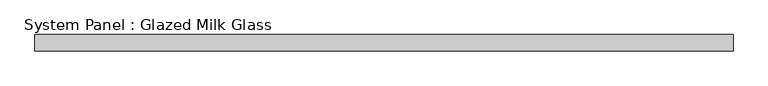
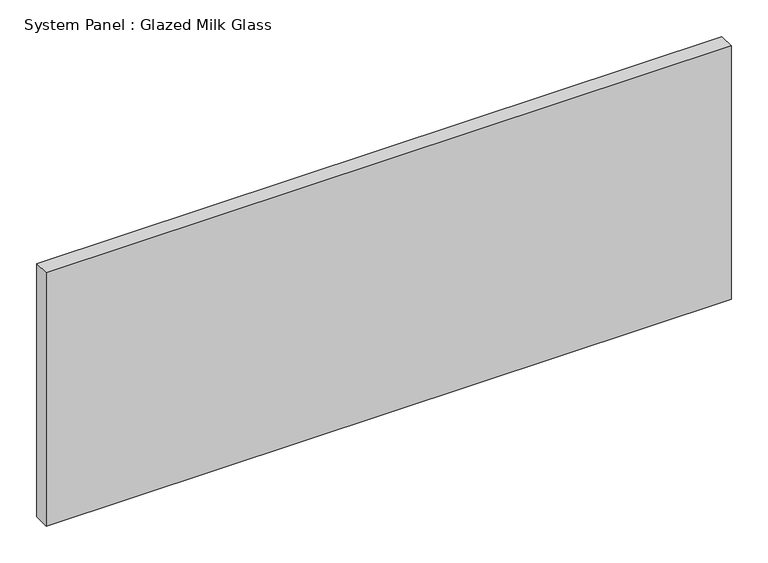
"""IFC4 building model written with IfcOpenShell, lengths in millimetres: plate geometry, System Panel : Glazed Milk Glass."""

from ifc_helpers import new_model, si_unit, origin, origin_with_axes, place, context, project, spatial, polyline, outline, extrude, source, transform, mapped, element, save


def system_panel_glazed_milk_glass_3f0060f8(model_context):
    return source(origin(), model_context, "Body", "SweptSolid", [
        extrude(outline(polyline([(537.5, -12.5), (-537.5, -12.5), (-537.5, 12.5), (537.5, 12.5), (537.5, -12.5)])), origin_with_axes(), (0.0, 0.0, 1.0), 420.0),
    ])


if __name__ == "__main__":
    model = new_model("IFC4")
    model_context = context("Model", 3, world=origin())
    ifc_project = project(units=[si_unit("LENGTHUNIT", "METRE", prefix="MILLI")], contexts=[model_context])
    site = spatial("IfcSite", under=ifc_project)
    building = spatial("IfcBuilding", under=site)
    placement = place(None, origin())
    system_panel_glazed_milk_glass_shape = system_panel_glazed_milk_glass_3f0060f8(model_context)
    element("IfcPlate", 1, ObjectType="System Panel : Glazed Milk Glass", at=placement, inside=building, context=model_context, shape_type="MappedRepresentation", body=[
        mapped(system_panel_glazed_milk_glass_shape, transform((0.0, 0.0, 0.0), x_axis=(1.0, 0.0, 0.0), y_axis=(0.0, 1.0, 0.0), z_axis=(0.0, 0.0, 1.0))),
    ])
    save(model, "model.ifc")
